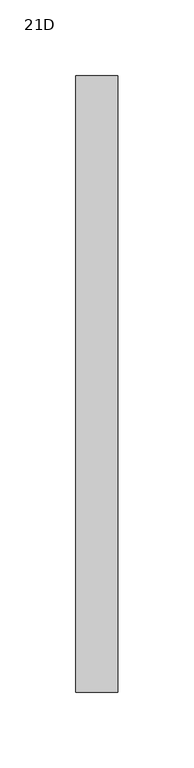
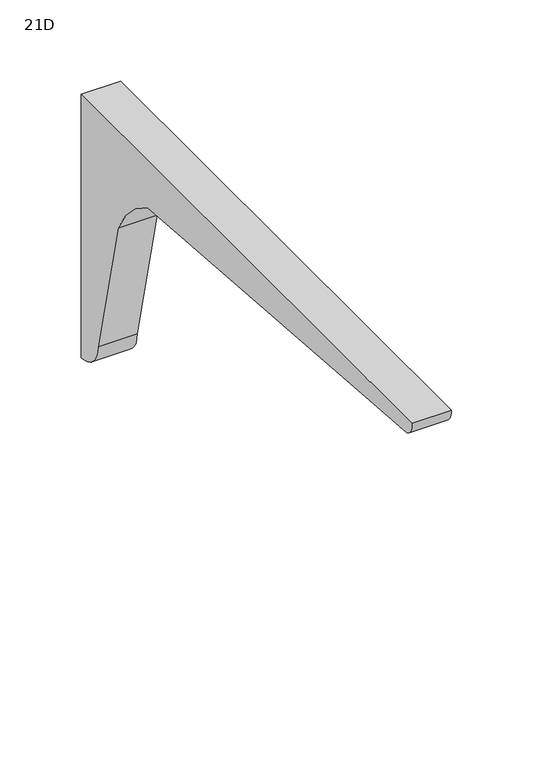
"""IFC4 building model written with IfcOpenShell, lengths in millimetres: furniture geometry, 21D."""

from ifc_helpers import new_model, si_unit, point, frame, frame_2d, origin, place, context, project, spatial, polyline, circle_curve, trimmed, segment, composite_curve, outline, extrude, source, transform, mapped, element, save


def furniture_21d_be8fb91b(model_context):
    return source(origin(), model_context, "Body", "SweptSolid", [
        extrude(outline(composite_curve([segment(trimmed(circle_curve(frame_2d((-143.9606717, 852.8605632)), 86.0560025), [point((-66.8363066, 891.0373609))], [point((-103.3820864, 928.7487309))], True, "CARTESIAN"), True, "CONTINUOUS"), segment(polyline([(-103.3820864, 928.7487309), (-421.4532059, 952.8360324)]), True, "CONTINUOUS"), segment(trimmed(circle_curve(frame_2d((-417.1486305, 963.0106611)), 11.0477345), [point((-421.4532059, 952.8360324))], [point((-428.15256, 963.9935))], False, "CARTESIAN"), True, "CONTINUOUS"), segment(polyline([(-428.15256, 963.9935), (-21.75256, 963.9935), (-21.75256, 766.746625)]), True, "CONTINUOUS"), segment(trimmed(circle_curve(frame_2d((-21.75256, 787.1479665)), 20.4013415), [point((-21.75256, 766.746625))], [point((-42.1539008, 787.1425548))], False, "CARTESIAN"), True, "CONTINUOUS"), segment(polyline([(-42.1539008, 787.1425548), (-66.8363066, 891.0373609)]), True, "CONTINUOUS")], self_intersect=False)), frame((4.8493945, 0.0, 0.0), z_axis=(1.0, 0.0, 0.0), x_axis=(0.0, 1.0, 0.0)), (0.0, 0.0, 1.0), 27.78125),
    ])


if __name__ == "__main__":
    model = new_model("IFC4")
    model_context = context("Model", 3, world=origin())
    ifc_project = project(units=[si_unit("LENGTHUNIT", "METRE", prefix="MILLI")], contexts=[model_context])
    site = spatial("IfcSite", under=ifc_project)
    building = spatial("IfcBuilding", under=site)
    placement = place(None, origin())
    furniture_21d_shape = furniture_21d_be8fb91b(model_context)
    element("IfcFurniture", 1, ObjectType="21D", at=placement, inside=building, context=model_context, shape_type="MappedRepresentation", body=[
        mapped(furniture_21d_shape, transform((0.0, 0.0, 0.0), x_axis=(1.0, 0.0, 0.0), y_axis=(0.0, 1.0, 0.0), z_axis=(0.0, 0.0, 1.0))),
    ])
    save(model, "model.ifc")
